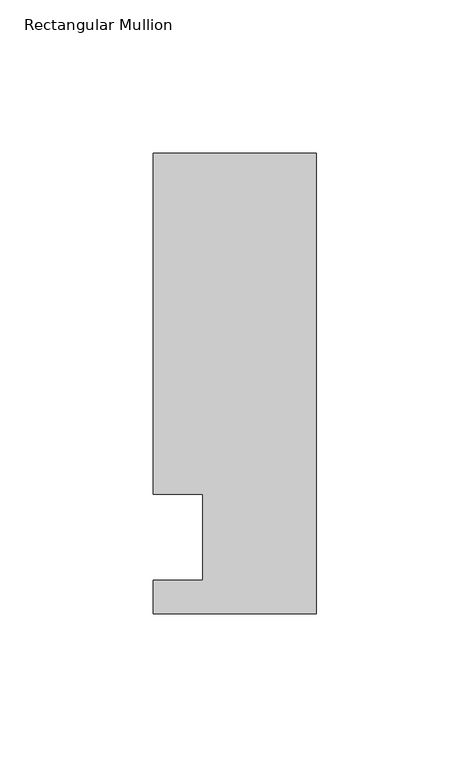
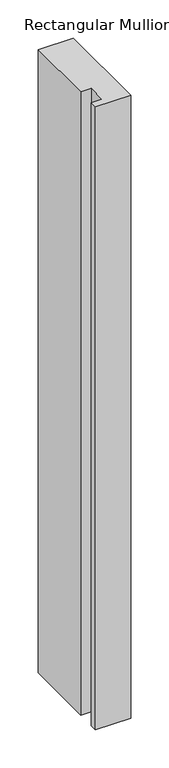
"""IFC4 building model written with IfcOpenShell, lengths in millimetres: member geometry, Rectangular Mullion."""

from ifc_helpers import new_model, si_unit, frame, origin, place, context, project, spatial, polyline, outline, extrude, source, transform, mapped, element, save


def rectangular_mullion_48b900b4(model_context):
    return source(origin(), model_context, "Body", "SweptSolid", [
        extrude(outline(polyline([(0.0, -25.0), (-53.0, -25.0), (-53.0, -14.0), (-37.0, -14.0), (-37.0, 14.0), (-53.0, 14.0), (-53.0, 125.0), (0.0, 125.0), (0.0, -25.0)])), frame((0.0, 0.0, -995.9865328), z_axis=(0.0, 0.0, 1.0), x_axis=(1.0, 0.0, 0.0)), (0.0, 0.0, 1.0), 995.9865328),
    ])


if __name__ == "__main__":
    model = new_model("IFC4")
    model_context = context("Model", 3, world=origin())
    ifc_project = project(units=[si_unit("LENGTHUNIT", "METRE", prefix="MILLI")], contexts=[model_context])
    site = spatial("IfcSite", under=ifc_project)
    building = spatial("IfcBuilding", under=site)
    placement = place(None, origin())
    rectangular_mullion_shape = rectangular_mullion_48b900b4(model_context)
    element("IfcMember", 1, ObjectType="Rectangular Mullion", at=placement, inside=building, context=model_context, shape_type="MappedRepresentation", body=[
        mapped(rectangular_mullion_shape, transform((0.0, 0.0, 0.0), x_axis=(1.0, 0.0, 0.0), y_axis=(0.0, 1.0, 0.0), z_axis=(0.0, 0.0, 1.0))),
    ])
    save(model, "model.ifc")
